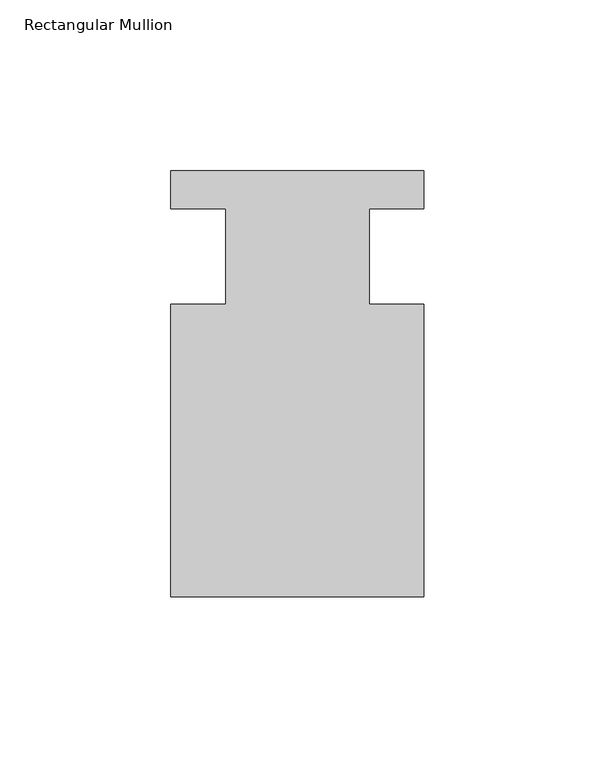
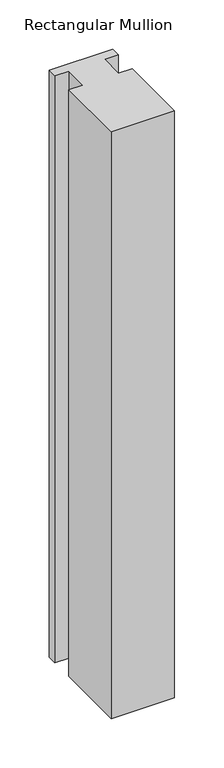
"""IFC4 building model written with IfcOpenShell, lengths in millimetres: member geometry, Rectangular Mullion."""

from ifc_helpers import new_model, si_unit, frame, origin, place, context, project, spatial, polyline, outline, extrude, source, transform, mapped, element, save


def rectangular_mullion_3b3830d3(model_context):
    return source(origin(), model_context, "Body", "SweptSolid", [
        extrude(outline(polyline([(-20.9800745, -13.9998907), (-20.9800745, 14.0), (-37.0, 14.0), (-37.0, 25.0), (36.9800745, 25.0), (36.9800745, 14.0), (20.9800745, 14.0), (20.9800745, -13.9998907), (37.0, -13.9998907), (37.0, -99.5), (-37.0, -99.5), (-37.0, -13.9998907), (-20.9800745, -13.9998907)])), frame((0.0, 0.0, -724.000019), z_axis=(0.0, 0.0, 1.0), x_axis=(1.0, 0.0, 0.0)), (0.0, 0.0, 1.0), 724.000019),
    ])


if __name__ == "__main__":
    model = new_model("IFC4")
    model_context = context("Model", 3, world=origin())
    ifc_project = project(units=[si_unit("LENGTHUNIT", "METRE", prefix="MILLI")], contexts=[model_context])
    site = spatial("IfcSite", under=ifc_project)
    building = spatial("IfcBuilding", under=site)
    placement = place(None, origin())
    rectangular_mullion_shape = rectangular_mullion_3b3830d3(model_context)
    element("IfcMember", 1, ObjectType="Rectangular Mullion", at=placement, inside=building, context=model_context, shape_type="MappedRepresentation", body=[
        mapped(rectangular_mullion_shape, transform((0.0, 0.0, 0.0), x_axis=(1.0, 0.0, 0.0), y_axis=(0.0, 1.0, 0.0), z_axis=(0.0, 0.0, 1.0))),
    ])
    save(model, "model.ifc")
